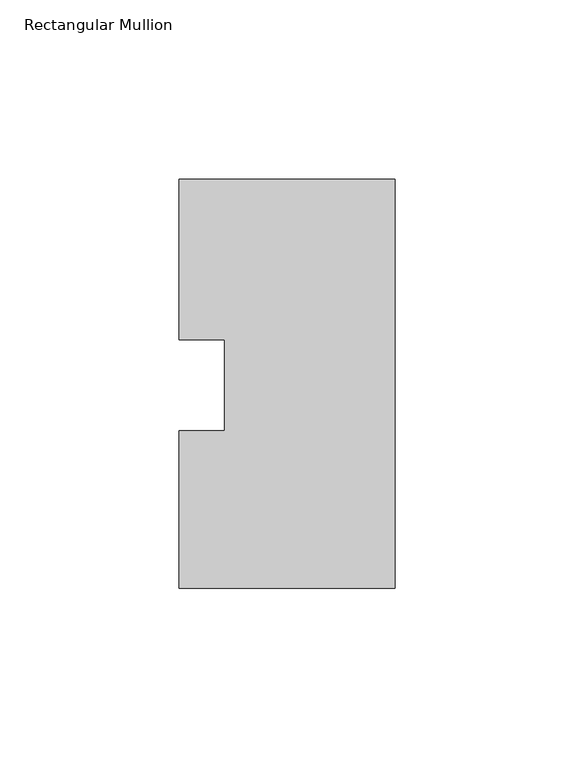
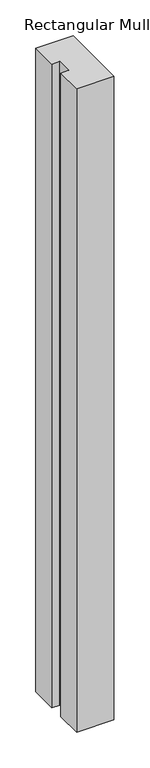
"""IFC4 building model written with IfcOpenShell, lengths in millimetres: member geometry, Rectangular Mullion."""

from ifc_helpers import new_model, si_unit, frame, origin, place, context, project, spatial, polyline, outline, extrude, source, transform, mapped, element, save


def rectangular_mullion_9737b8d0(model_context):
    return source(origin(), model_context, "Body", "SweptSolid", [
        extrude(outline(polyline([(-60.325, 57.546875), (0.0, 57.546875), (0.0, -56.753125), (-60.325, -56.753125), (-60.325, -12.7), (-47.6232296, -12.7), (-47.6232296, 12.7), (-60.325, 12.7), (-60.325, 57.546875)])), frame((0.0, 0.0, -1099.7094027), z_axis=(0.0, 0.0, 1.0), x_axis=(1.0, 0.0, 0.0)), (0.0, 0.0, 1.0), 1099.7094027),
    ])


if __name__ == "__main__":
    model = new_model("IFC4")
    model_context = context("Model", 3, world=origin())
    ifc_project = project(units=[si_unit("LENGTHUNIT", "METRE", prefix="MILLI")], contexts=[model_context])
    site = spatial("IfcSite", under=ifc_project)
    building = spatial("IfcBuilding", under=site)
    placement = place(None, origin())
    rectangular_mullion_shape = rectangular_mullion_9737b8d0(model_context)
    element("IfcMember", 1, ObjectType="Rectangular Mullion", at=placement, inside=building, context=model_context, shape_type="MappedRepresentation", body=[
        mapped(rectangular_mullion_shape, transform((0.0, 0.0, 0.0), x_axis=(1.0, 0.0, 0.0), y_axis=(0.0, 1.0, 0.0), z_axis=(0.0, 0.0, 1.0))),
    ])
    save(model, "model.ifc")
